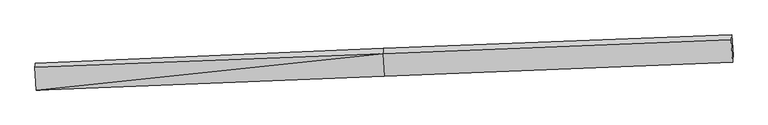
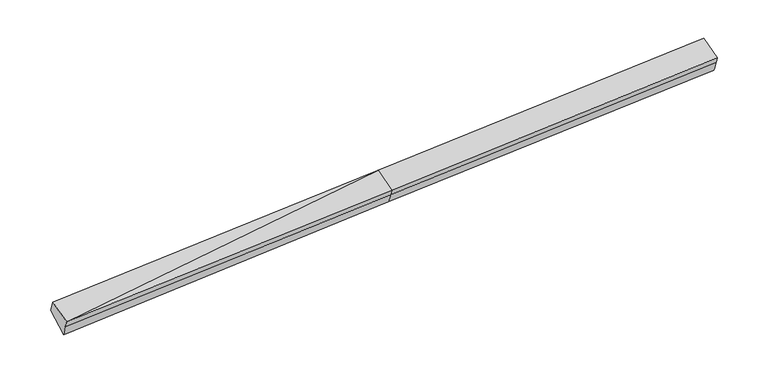
"""IFC4 building model written with IfcOpenShell, lengths in millimetres: proxy geometry."""

from ifc_helpers import new_model, si_unit, frame, origin, place, context, project, spatial, source, transform, mapped, element, save
from ifc_brep_helpers import plane_surface, spline_surface, advanced_brep


def generic_models_17c2d8b7(model_context):
    return source(origin(), model_context, "Body", "AdvancedBrep", [
        advanced_brep(
        [(-10593.6960113, -2367.6945244, 1577.7115639), (-10587.7106127, -2298.8976045, 1382.931785), (-585.2737735, -1907.5894483, 1828.5086733), (-591.2472444, -1976.2492699, 2022.9002953), (-10629.9930813, -1710.9785352, 1818.7523309), (-627.5443144, -1319.5332806, 2263.9410622), (-10619.63431, -1591.9135234, 1481.6521135), (-618.7401778, -1172.3405586, 1937.1648281), (-10577.5963166, -2182.6426212, 1053.7873995), (-576.7021844, -1763.0696564, 1509.3001141), (9393.7762413, -782.4210452, 2382.5609786), (9384.3090799, -921.902366, 2717.491126), (9420.347044, -1573.9304035, 2478.1710229), (9425.8920389, -1510.1955393, 2297.7230788), (9435.8142347, -1373.150143, 1954.6962647)],
        [
            (0, 1),
            (1, 2),
            (2, 3),
            (3, 0),
            (4, 0),
            (0, 5),
            (5, 4),
            (6, 4),
            (5, 7),
            (7, 6),
            (8, 6),
            (7, 9),
            (9, 8),
            (1, 8),
            (9, 2),
            (10, 11),
            (11, 12),
            (12, 13),
            (13, 14),
            (14, 10),
            (3, 5),
            (5, 11),
            (10, 7),
            (3, 12),
            (2, 13),
            (9, 14),
        ],
        [
            plane_surface(frame((-10590.703312, -2333.2960645, 1480.3216745), z_axis=(0.0516115124619534, -0.9421529532412031, -0.3311858458332265), x_axis=(0.02896266001132172, 0.33290043343201015, -0.942517090426401))),
            plane_surface(frame((-10611.8445463, -2039.3365298, 1698.2319474), z_axis=(-0.028210467102582584, -0.3457998174310158, 0.9378841377326574), x_axis=(0.05181627463839484, -0.9375020110327137, -0.3441003530835387))),
            spline_surface(1, 1, [[(-10619.63431, -1591.9135234, 1481.6521135), (-618.7401778, -1172.3405586, 1937.1648281)], [(-10629.9930813, -1710.9785352, 1818.7523309), (-627.5443144, -1319.5332806, 2263.9410622)]], [2, 2], [2, 2], [0.0, 1.0], [0.0, 1.0]),
            plane_surface(frame((-10598.6153133, -1887.2780723, 1267.7197565), z_axis=(0.012234283283572091, 0.5871225812830164, -0.8094055824245997), x_axis=(-0.05753792670831652, 0.8085382960317181, 0.5856237792646695))),
            spline_surface(1, 1, [[(-10587.7106127, -2298.8976045, 1382.931785), (-585.2737735, -1907.5894483, 1828.5086733)], [(-10577.5963166, -2182.6426212, 1053.7873995), (-576.7021844, -1763.0696564, 1509.3001141)]], [2, 2], [2, 2], [0.0, 1.0], [0.0, 1.0]),
            plane_surface(frame((9412.0277278, -1232.3198994, 2366.1284942), z_axis=(0.9982568712932167, 0.03887532536081127, 0.04440639586781558), x_axis=(-0.026084900983363378, -0.38431333993296884, 0.9228341317323794))),
            plane_surface(frame((-10605.2299298, -1963.3073011, 1482.9758519), z_axis=(-0.9982568712932168, -0.038875325360811196, -0.044406395867815016), x_axis=(-0.028962660011322066, -0.3329004334320096, 0.9425170904264011))),
            plane_surface(frame((-10593.6960113, -2367.6945244, 1577.7115639), z_axis=(-0.028210467102581453, -0.3457998174310244, 0.9378841377326544), x_axis=(0.051816274638395166, -0.9375020110327106, -0.3441003530835474))),
            spline_surface(1, 1, [[(-618.7401778, -1172.3405586, 1937.1648281), (9393.7762413, -782.4210452, 2382.5609786)], [(-627.5443144, -1319.5332806, 2263.9410622), (9384.3090799, -921.902366, 2717.491126)]], [2, 2], [2, 2], [0.0, 1.0], [0.0, 1.0]),
            plane_surface(frame((-609.3957794, -1647.8912753, 2143.4206787), z_axis=(-0.02875165732034024, -0.3458208506210864, 0.9378599476878421), x_axis=(0.05181627463839501, -0.9375020110327148, -0.3441003530835357))),
            plane_surface(frame((-588.2605089, -1941.9193591, 1925.7044843), z_axis=(0.05291641439182798, -0.9421010970705032, -0.33112743164296565), x_axis=(0.028962660011318715, 0.33290043343201087, -0.9425170904264007))),
            spline_surface(1, 1, [[(-585.2737735, -1907.5894483, 1828.5086733), (9425.8920389, -1510.1955393, 2297.7230788)], [(-576.7021844, -1763.0696564, 1509.3001141), (9435.8142347, -1373.150143, 1954.6962647)]], [2, 2], [2, 2], [0.0, 1.0], [0.0, 1.0]),
            plane_surface(frame((-597.7211811, -1467.7051075, 1723.2324711), z_axis=(0.01313795668993182, 0.5871580135944813, -0.8093657153387441), x_axis=(-0.05753792670831707, 0.8085382960317181, 0.5856237792646695))),
        ],
        [
            (0, [[1, 2, 3, 4]]),
            (1, [[5, 6, 7]]),
            (2, [[8, -7, 9, 10]]),
            (3, [[11, -10, 12, 13]]),
            (4, [[14, -13, 15, -2]]),
            (5, [[16, 17, 18, 19, 20]]),
            (6, [[-1, -5, -8, -11, -14]]),
            (7, [[21, -6, -4]]),
            (8, [[-9, 22, -16, 23]]),
            (9, [[-21, 24, -17, -22]]),
            (10, [[-3, 25, -18, -24]]),
            (11, [[-15, 26, -19, -25]]),
            (12, [[-12, -23, -20, -26]]),
        ],
    ),
    ])


if __name__ == "__main__":
    model = new_model("IFC4")
    model_context = context("Model", 3, world=origin())
    ifc_project = project(units=[si_unit("LENGTHUNIT", "METRE", prefix="MILLI")], contexts=[model_context])
    site = spatial("IfcSite", under=ifc_project)
    building = spatial("IfcBuilding", under=site)
    placement = place(None, origin())
    generic_models_shape = generic_models_17c2d8b7(model_context)
    element("IfcBuildingElementProxy", 1, Name="Generic Models", at=placement, inside=building, context=model_context, shape_type="MappedRepresentation", body=[
        mapped(generic_models_shape, transform((0.0, 0.0, 0.0), x_axis=(1.0, 0.0, 0.0), y_axis=(0.0, 1.0, 0.0), z_axis=(0.0, 0.0, 1.0))),
    ])
    save(model, "model.ifc")
